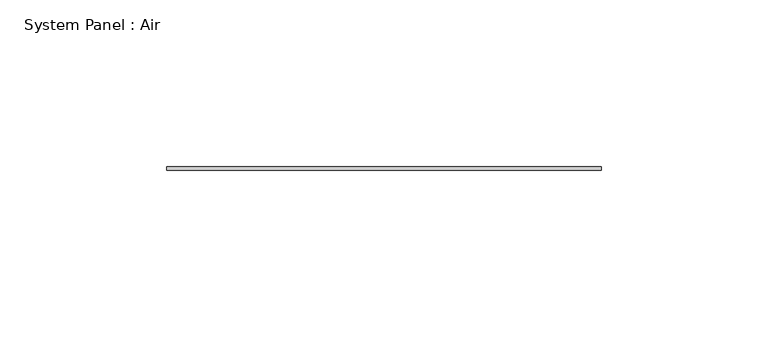
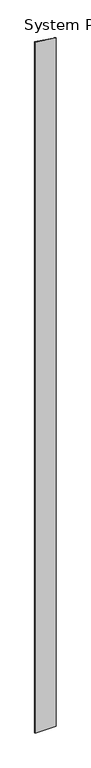
"""IFC4 building model written with IfcOpenShell, lengths in millimetres: plate geometry, System Panel : Air."""

from ifc_helpers import new_model, si_unit, frame, origin, place, context, project, spatial, polyline, outline, extrude, source, transform, mapped, element, save


def system_panel_air_c7dc4bff(model_context):
    return source(origin(), model_context, "Body", "SweptSolid", [
        extrude(outline(polyline([(0.0, -65.0), (0.0, 65.0), (4437.5228946, 65.0), (4456.7719972, -65.0), (0.0, -65.0)])), frame((0.0, 36.5, 0.0), z_axis=(0.0, 1.0, 0.0), x_axis=(0.0, 0.0, 1.0)), (0.0, 0.0, 1.0), 1.0),
    ])


if __name__ == "__main__":
    model = new_model("IFC4")
    model_context = context("Model", 3, world=origin())
    ifc_project = project(units=[si_unit("LENGTHUNIT", "METRE", prefix="MILLI")], contexts=[model_context])
    site = spatial("IfcSite", under=ifc_project)
    building = spatial("IfcBuilding", under=site)
    placement = place(None, origin())
    system_panel_air_shape = system_panel_air_c7dc4bff(model_context)
    element("IfcPlate", 1, ObjectType="System Panel : Air", at=placement, inside=building, context=model_context, shape_type="MappedRepresentation", body=[
        mapped(system_panel_air_shape, transform((0.0, 0.0, 0.0), x_axis=(1.0, 0.0, 0.0), y_axis=(0.0, 1.0, 0.0), z_axis=(0.0, 0.0, 1.0))),
    ])
    save(model, "model.ifc")
